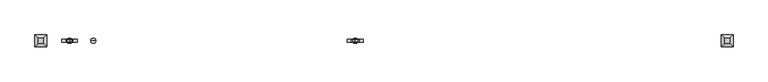
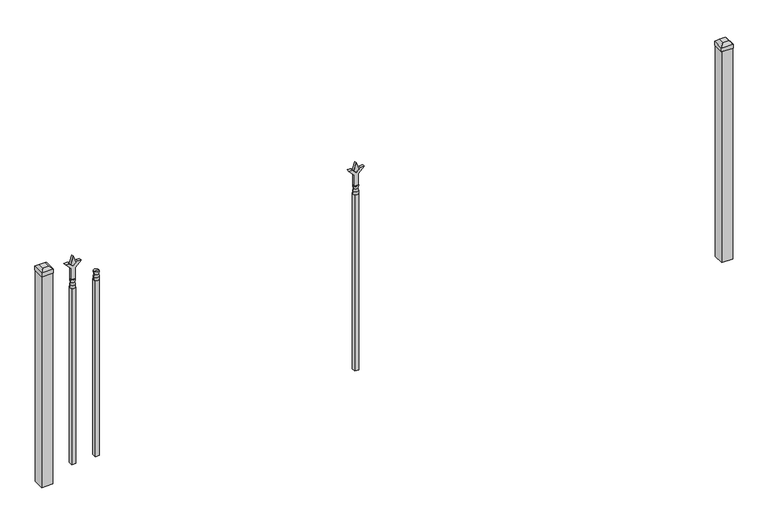
"""IFC4 building model written with IfcOpenShell, lengths in millimetres: railing geometry."""

from ifc_helpers import new_model, si_unit, frame, origin, origin_with_axes, place, context, project, spatial, polyline, circle_curve, outline, extrude, faceted_brep, source, transform, mapped, element, save
from ifc_brep_helpers import plane_surface, cylinder_surface, revolved_surface, advanced_brep


def railing_1e1bedbc(model_context):
    return source(origin(), model_context, "Body", "SolidModel", [
        advanced_brep(
        [(-85476.3764203, 3022.3429826, 927.1), (-85500.1889203, 3022.3429826, 927.1), (-85500.1889203, 3022.3429826, 914.4), (-85476.3764203, 3022.3429826, 914.4), (-85478.5817522, 3022.3429826, 939.6070585), (-85497.9835884, 3022.3429826, 939.6070585), (-85476.3764203, 3022.3429826, 955.675), (-85500.1889203, 3022.3429826, 955.675), (-85488.2826703, 3022.3429826, 955.675), (-85488.2826703, 3022.3429826, 914.4)],
        [
            (0, 1, circle_curve(frame((-85488.2826703, 3022.3429826, 927.1), z_axis=(0.0, 0.0, -1.0), x_axis=(-1.0, 0.0, 0.0)), 11.90625)),
            (1, 2),
            (2, 3, circle_curve(frame((-85488.2826703, 3022.3429826, 914.4), z_axis=(0.0, 0.0, 1.0), x_axis=(-1.0, 0.0, 0.0)), 11.90625)),
            (3, 0),
            (1, 0, circle_curve(frame((-85488.2826703, 3022.3429826, 927.1), z_axis=(0.0, 0.0, -1.0), x_axis=(-1.0, 0.0, 0.0)), 11.90625)),
            (3, 2, circle_curve(frame((-85488.2826703, 3022.3429826, 914.4), z_axis=(0.0, 0.0, 1.0), x_axis=(-1.0, 0.0, 0.0)), 11.90625)),
            (4, 5, circle_curve(frame((-85488.2826703, 3022.3429826, 939.6070585), z_axis=(0.0, 0.0, -1.0), x_axis=(-1.0, 0.0, 0.0)), 9.7009181)),
            (5, 1),
            (0, 4),
            (5, 4, circle_curve(frame((-85488.2826703, 3022.3429826, 939.6070585), z_axis=(0.0, 0.0, -1.0), x_axis=(-1.0, 0.0, 0.0)), 9.7009181)),
            (6, 7, circle_curve(frame((-85488.2826703, 3022.3429826, 955.675), z_axis=(0.0, 0.0, -1.0), x_axis=(-1.0, 0.0, 0.0)), 11.90625)),
            (7, 5),
            (4, 6),
            (7, 6, circle_curve(frame((-85488.2826703, 3022.3429826, 955.675), z_axis=(0.0, 0.0, -1.0), x_axis=(-1.0, 0.0, 0.0)), 11.90625)),
            (8, 7),
            (6, 8),
            (2, 9),
            (9, 3),
        ],
        [
            cylinder_surface(frame((-85488.2826703, 3022.3429826, 914.4), z_axis=(0.0, 0.0, 1.0), x_axis=(-1.0, 0.0, 0.0)), 11.90625),
            revolved_surface(polyline([(-85500.1889203, 3022.3429826, 927.1), (-85497.9835884, 3022.3429826, 939.6070585)]), (-85488.2826703, 3022.3429826, 914.4), (0.0, 0.0, 1.0)),
            revolved_surface(polyline([(-85497.9835884, 3022.3429826, 939.6070585), (-85500.1889203, 3022.3429826, 955.675)]), (-85488.2826703, 3022.3429826, 914.4), (0.0, 0.0, 1.0)),
            plane_surface(frame((-85488.2826703, 3022.3429826, 955.675), z_axis=(0.0, 0.0, 1.0), x_axis=(-1.0, 0.0, 0.0))),
            plane_surface(frame((-85488.2826703, 3022.3429826, 914.4), z_axis=(0.0, 0.0, -1.0), x_axis=(-1.0, 0.0, 0.0))),
        ],
        [
            (0, [[1, 2, 3, 4]]),
            (0, [[5, -4, 6, -2]]),
            (1, [[7, 8, -1, 9]]),
            (1, [[10, -9, -5, -8]]),
            (2, [[11, 12, -7, 13]]),
            (2, [[14, -13, -10, -12]]),
            (3, [[15, -11, 16]]),
            (3, [[-16, -14, -15]]),
            (4, [[-3, 17, 18]]),
            (4, [[-6, -18, -17]]),
        ],
    ),
        extrude(outline(polyline([(-85497.8076703, 3031.8679826), (-85478.7576703, 3031.8679826), (-85478.7576703, 3012.8179826), (-85497.8076703, 3012.8179826), (-85497.8076703, 3031.8679826)])), frame((0.0, 0.0, 50.8), z_axis=(0.0, 0.0, 1.0), x_axis=(1.0, 0.0, 0.0)), (0.0, 0.0, 1.0), 863.6),
        extrude(outline(polyline([(1031.08125, -84274.374337), (1066.8, -84286.280587), (1031.08125, -84298.186837), (1019.175, -84286.280587), (1031.08125, -84274.374337)])), frame((0.0, 3017.5804826, 0.0), z_axis=(0.0, 1.0, 0.0), x_axis=(0.0, 0.0, 1.0)), (0.0, 0.0, 1.0), 9.525),
        extrude(outline(polyline([(955.675, -84277.549337), (1009.9457378, -84277.549337), (1037.1355122, -84250.3595625), (1037.1355122, -84268.3200747), (1019.175, -84286.280587), (1037.1355122, -84304.2410992), (1037.1355122, -84322.2016114), (1009.9457378, -84295.011837), (955.675, -84295.011837), (955.675, -84277.549337)])), frame((0.0, 3015.9929826, 0.0), z_axis=(0.0, 1.0, 0.0), x_axis=(0.0, 0.0, 1.0)), (0.0, 0.0, 1.0), 12.7),
        advanced_brep(
        [(-84274.374337, 3022.3429826, 927.1), (-84298.186837, 3022.3429826, 927.1), (-84298.186837, 3022.3429826, 914.4), (-84274.374337, 3022.3429826, 914.4), (-84276.5796688, 3022.3429826, 939.6070585), (-84295.9815051, 3022.3429826, 939.6070585), (-84274.374337, 3022.3429826, 955.675), (-84298.186837, 3022.3429826, 955.675), (-84286.280587, 3022.3429826, 955.675), (-84286.280587, 3022.3429826, 914.4)],
        [
            (0, 1, circle_curve(frame((-84286.280587, 3022.3429826, 927.1), z_axis=(0.0, 0.0, -1.0), x_axis=(-1.0, 0.0, 0.0)), 11.90625)),
            (1, 2),
            (2, 3, circle_curve(frame((-84286.280587, 3022.3429826, 914.4), z_axis=(0.0, 0.0, 1.0), x_axis=(-1.0, 0.0, 0.0)), 11.90625)),
            (3, 0),
            (1, 0, circle_curve(frame((-84286.280587, 3022.3429826, 927.1), z_axis=(0.0, 0.0, -1.0), x_axis=(-1.0, 0.0, 0.0)), 11.90625)),
            (3, 2, circle_curve(frame((-84286.280587, 3022.3429826, 914.4), z_axis=(0.0, 0.0, 1.0), x_axis=(-1.0, 0.0, 0.0)), 11.90625)),
            (4, 5, circle_curve(frame((-84286.280587, 3022.3429826, 939.6070585), z_axis=(0.0, 0.0, -1.0), x_axis=(-1.0, 0.0, 0.0)), 9.7009181)),
            (5, 1),
            (0, 4),
            (5, 4, circle_curve(frame((-84286.280587, 3022.3429826, 939.6070585), z_axis=(0.0, 0.0, -1.0), x_axis=(-1.0, 0.0, 0.0)), 9.7009181)),
            (6, 7, circle_curve(frame((-84286.280587, 3022.3429826, 955.675), z_axis=(0.0, 0.0, -1.0), x_axis=(-1.0, 0.0, 0.0)), 11.90625)),
            (7, 5),
            (4, 6),
            (7, 6, circle_curve(frame((-84286.280587, 3022.3429826, 955.675), z_axis=(0.0, 0.0, -1.0), x_axis=(-1.0, 0.0, 0.0)), 11.90625)),
            (8, 7),
            (6, 8),
            (2, 9),
            (9, 3),
        ],
        [
            cylinder_surface(frame((-84286.280587, 3022.3429826, 914.4), z_axis=(0.0, 0.0, 1.0), x_axis=(-1.0, 0.0, 0.0)), 11.90625),
            revolved_surface(polyline([(-84298.186837, 3022.3429826, 927.1), (-84295.9815051, 3022.3429826, 939.6070585)]), (-84286.280587, 3022.3429826, 914.4), (0.0, 0.0, 1.0)),
            revolved_surface(polyline([(-84295.9815051, 3022.3429826, 939.6070585), (-84298.186837, 3022.3429826, 955.675)]), (-84286.280587, 3022.3429826, 914.4), (0.0, 0.0, 1.0)),
            plane_surface(frame((-84286.280587, 3022.3429826, 955.675), z_axis=(0.0, 0.0, 1.0), x_axis=(-1.0, 0.0, 0.0))),
            plane_surface(frame((-84286.280587, 3022.3429826, 914.4), z_axis=(0.0, 0.0, -1.0), x_axis=(-1.0, 0.0, 0.0))),
        ],
        [
            (0, [[1, 2, 3, 4]]),
            (0, [[5, -4, 6, -2]]),
            (1, [[7, 8, -1, 9]]),
            (1, [[10, -9, -5, -8]]),
            (2, [[11, 12, -7, 13]]),
            (2, [[14, -13, -10, -12]]),
            (3, [[15, -11, 16]]),
            (3, [[-16, -14, -15]]),
            (4, [[-3, 17, 18]]),
            (4, [[-6, -18, -17]]),
        ],
    ),
        extrude(outline(polyline([(-84295.805587, 3031.8679826), (-84276.755587, 3031.8679826), (-84276.755587, 3012.8179826), (-84295.805587, 3012.8179826), (-84295.805587, 3031.8679826)])), frame((0.0, 0.0, 50.8), z_axis=(0.0, 0.0, 1.0), x_axis=(1.0, 0.0, 0.0)), (0.0, 0.0, 1.0), 863.6),
        extrude(outline(polyline([(1031.08125, -85585.649337), (1066.8, -85597.555587), (1031.08125, -85609.461837), (1019.175, -85597.555587), (1031.08125, -85585.649337)])), frame((0.0, 3017.5804826, 0.0), z_axis=(0.0, 1.0, 0.0), x_axis=(0.0, 0.0, 1.0)), (0.0, 0.0, 1.0), 9.525),
        extrude(outline(polyline([(955.675, -85588.824337), (1009.9457378, -85588.824337), (1037.1355122, -85561.6345625), (1037.1355122, -85579.5950747), (1019.175, -85597.555587), (1037.1355122, -85615.5160992), (1037.1355122, -85633.4766114), (1009.9457378, -85606.286837), (955.675, -85606.286837), (955.675, -85588.824337)])), frame((0.0, 3015.9929826, 0.0), z_axis=(0.0, 1.0, 0.0), x_axis=(0.0, 0.0, 1.0)), (0.0, 0.0, 1.0), 12.7),
        advanced_brep(
        [(-85585.649337, 3022.3429826, 927.1), (-85609.461837, 3022.3429826, 927.1), (-85609.461837, 3022.3429826, 914.4), (-85585.649337, 3022.3429826, 914.4), (-85587.8546688, 3022.3429826, 939.6070585), (-85607.2565051, 3022.3429826, 939.6070585), (-85585.649337, 3022.3429826, 955.675), (-85609.461837, 3022.3429826, 955.675), (-85597.555587, 3022.3429826, 955.675), (-85597.555587, 3022.3429826, 914.4)],
        [
            (0, 1, circle_curve(frame((-85597.555587, 3022.3429826, 927.1), z_axis=(0.0, 0.0, -1.0), x_axis=(-1.0, 0.0, 0.0)), 11.90625)),
            (1, 2),
            (2, 3, circle_curve(frame((-85597.555587, 3022.3429826, 914.4), z_axis=(0.0, 0.0, 1.0), x_axis=(-1.0, 0.0, 0.0)), 11.90625)),
            (3, 0),
            (1, 0, circle_curve(frame((-85597.555587, 3022.3429826, 927.1), z_axis=(0.0, 0.0, -1.0), x_axis=(-1.0, 0.0, 0.0)), 11.90625)),
            (3, 2, circle_curve(frame((-85597.555587, 3022.3429826, 914.4), z_axis=(0.0, 0.0, 1.0), x_axis=(-1.0, 0.0, 0.0)), 11.90625)),
            (4, 5, circle_curve(frame((-85597.555587, 3022.3429826, 939.6070585), z_axis=(0.0, 0.0, -1.0), x_axis=(-1.0, 0.0, 0.0)), 9.7009181)),
            (5, 1),
            (0, 4),
            (5, 4, circle_curve(frame((-85597.555587, 3022.3429826, 939.6070585), z_axis=(0.0, 0.0, -1.0), x_axis=(-1.0, 0.0, 0.0)), 9.7009181)),
            (6, 7, circle_curve(frame((-85597.555587, 3022.3429826, 955.675), z_axis=(0.0, 0.0, -1.0), x_axis=(-1.0, 0.0, 0.0)), 11.90625)),
            (7, 5),
            (4, 6),
            (7, 6, circle_curve(frame((-85597.555587, 3022.3429826, 955.675), z_axis=(0.0, 0.0, -1.0), x_axis=(-1.0, 0.0, 0.0)), 11.90625)),
            (8, 7),
            (6, 8),
            (2, 9),
            (9, 3),
        ],
        [
            cylinder_surface(frame((-85597.555587, 3022.3429826, 914.4), z_axis=(0.0, 0.0, 1.0), x_axis=(-1.0, 0.0, 0.0)), 11.90625),
            revolved_surface(polyline([(-85609.461837, 3022.3429826, 927.1), (-85607.2565051, 3022.3429826, 939.6070585)]), (-85597.555587, 3022.3429826, 914.4), (0.0, 0.0, 1.0)),
            revolved_surface(polyline([(-85607.2565051, 3022.3429826, 939.6070585), (-85609.461837, 3022.3429826, 955.675)]), (-85597.555587, 3022.3429826, 914.4), (0.0, 0.0, 1.0)),
            plane_surface(frame((-85597.555587, 3022.3429826, 955.675), z_axis=(0.0, 0.0, 1.0), x_axis=(-1.0, 0.0, 0.0))),
            plane_surface(frame((-85597.555587, 3022.3429826, 914.4), z_axis=(0.0, 0.0, -1.0), x_axis=(-1.0, 0.0, 0.0))),
        ],
        [
            (0, [[1, 2, 3, 4]]),
            (0, [[5, -4, 6, -2]]),
            (1, [[7, 8, -1, 9]]),
            (1, [[10, -9, -5, -8]]),
            (2, [[11, 12, -7, 13]]),
            (2, [[14, -13, -10, -12]]),
            (3, [[15, -11, 16]]),
            (3, [[-16, -14, -15]]),
            (4, [[-3, 17, 18]]),
            (4, [[-6, -18, -17]]),
        ],
    ),
        extrude(outline(polyline([(-85607.080587, 3031.8679826), (-85588.030587, 3031.8679826), (-85588.030587, 3012.8179826), (-85607.080587, 3012.8179826), (-85607.080587, 3031.8679826)])), frame((0.0, 0.0, 50.8), z_axis=(0.0, 0.0, 1.0), x_axis=(1.0, 0.0, 0.0)), (0.0, 0.0, 1.0), 863.6),
        faceted_brep([(-82606.705587, 3049.3304826, 1054.1), (-82606.705587, 3049.3304826, 1035.05), (-82606.705587, 2995.3554826, 1035.05), (-82606.705587, 2995.3554826, 1054.1), (-82594.005587, 3036.6304826, 1066.8), (-82594.005587, 3008.0554826, 1066.8), (-82552.730587, 2995.3554826, 1035.05), (-82552.730587, 2995.3554826, 1054.1), (-82565.430587, 3008.0554826, 1066.8), (-82552.730587, 3049.3304826, 1035.05), (-82552.730587, 3049.3304826, 1054.1), (-82565.430587, 3036.6304826, 1066.8)], [[[0, 1, 2, 3]], [[4, 0, 3, 5]], [[3, 2, 6, 7]], [[5, 3, 7, 8]], [[7, 6, 9, 10]], [[8, 7, 10, 11]], [[10, 9, 1, 0]], [[11, 10, 0, 4]], [[5, 8, 11, 4]], [[1, 9, 6, 2]]]),
        extrude(outline(polyline([(-82554.318087, 3047.7429826), (-82554.318087, 2996.9429826), (-82605.118087, 2996.9429826), (-82605.118087, 3047.7429826), (-82554.318087, 3047.7429826)])), origin_with_axes(), (0.0, 0.0, 1.0), 1035.05),
        faceted_brep([(-85756.305587, 3049.3304826, 1054.1), (-85756.305587, 3049.3304826, 1035.05), (-85756.305587, 2995.3554826, 1035.05), (-85756.305587, 2995.3554826, 1054.1), (-85743.605587, 3036.6304826, 1066.8), (-85743.605587, 3008.0554826, 1066.8), (-85702.330587, 2995.3554826, 1035.05), (-85702.330587, 2995.3554826, 1054.1), (-85715.030587, 3008.0554826, 1066.8), (-85702.330587, 3049.3304826, 1035.05), (-85702.330587, 3049.3304826, 1054.1), (-85715.030587, 3036.6304826, 1066.8)], [[[0, 1, 2, 3]], [[4, 0, 3, 5]], [[3, 2, 6, 7]], [[5, 3, 7, 8]], [[7, 6, 9, 10]], [[8, 7, 10, 11]], [[10, 9, 1, 0]], [[11, 10, 0, 4]], [[5, 8, 11, 4]], [[1, 9, 6, 2]]]),
        extrude(outline(polyline([(-85703.918087, 3047.7429826), (-85703.918087, 2996.9429826), (-85754.718087, 2996.9429826), (-85754.718087, 3047.7429826), (-85703.918087, 3047.7429826)])), origin_with_axes(), (0.0, 0.0, 1.0), 1035.05),
    ])


if __name__ == "__main__":
    model = new_model("IFC4")
    model_context = context("Model", 3, world=origin())
    ifc_project = project(units=[si_unit("LENGTHUNIT", "METRE", prefix="MILLI")], contexts=[model_context])
    site = spatial("IfcSite", under=ifc_project)
    building = spatial("IfcBuilding", under=site)
    placement = place(None, origin())
    railing_shape = railing_1e1bedbc(model_context)
    element("IfcRailing", 1, at=placement, inside=building, context=model_context, shape_type="MappedRepresentation", body=[
        mapped(railing_shape, transform((0.0, 0.0, 0.0), x_axis=(1.0, 0.0, 0.0), y_axis=(0.0, 1.0, 0.0), z_axis=(0.0, 0.0, 1.0))),
    ])
    save(model, "model.ifc")
